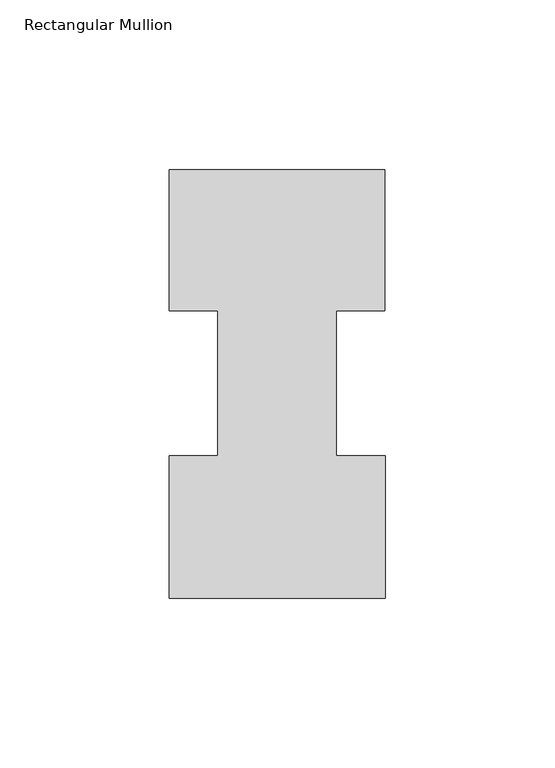
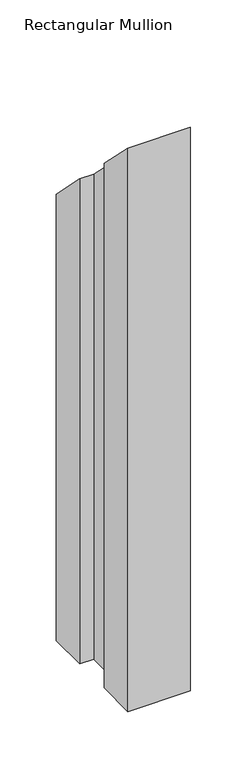
"""IFC4 building model written with IfcOpenShell, lengths in millimetres: member geometry, Rectangular Mullion."""

from ifc_helpers import new_model, si_unit, origin, place, context, project, spatial, faceted_brep, source, transform, mapped, element, save


def rectangular_mullion_a609641c(model_context):
    return source(origin(), model_context, "Body", "Brep", [
        faceted_brep([(-63.5, 0.2428875, -609.6), (-63.5, 42.2798875, -609.6), (-49.21504, 42.2798875, -609.6), (-49.21504, 85.1296875, -609.6), (-63.5, 85.1296875, -609.6), (-63.5, 126.7348875, -609.6), (0.0, 126.7348875, -609.6), (0.0, 85.1296875, -609.6), (-14.2748, 85.1296875, -609.6), (-14.2748, 42.2798875, -609.6), (0.2408142, 42.2798875, -609.6), (0.2408142, 0.2428875, -609.6), (0.2408142, 0.2428875, -0.2428875), (-63.5, 0.2428875, -0.2428875), (0.2408142, 42.2798875, -42.2798875), (-14.2748, 42.2798875, -42.2798875), (-14.2748, 85.1296875, -85.1296875), (0.0, 85.1296875, -85.1296875), (0.0, 126.7348875, -126.7348875), (-63.5, 126.7348875, -126.7348875), (-63.5, 85.1296875, -85.1296875), (-49.21504, 85.1296875, -85.1296875), (-49.21504, 42.2798875, -42.2798875), (-63.5, 42.2798875, -42.2798875)], [[[0, 1, 2, 3, 4, 5, 6, 7, 8, 9, 10, 11]], [[12, 13, 0, 11]], [[14, 12, 11, 10]], [[15, 14, 10, 9]], [[16, 15, 9, 8]], [[17, 16, 8, 7]], [[18, 17, 7, 6]], [[19, 18, 6, 5]], [[20, 19, 5, 4]], [[21, 20, 4, 3]], [[22, 21, 3, 2]], [[23, 22, 2, 1]], [[13, 23, 1, 0]], [[13, 12, 14, 15, 16, 17, 18, 19, 20, 21, 22, 23]]]),
    ])


if __name__ == "__main__":
    model = new_model("IFC4")
    model_context = context("Model", 3, world=origin())
    ifc_project = project(units=[si_unit("LENGTHUNIT", "METRE", prefix="MILLI")], contexts=[model_context])
    site = spatial("IfcSite", under=ifc_project)
    building = spatial("IfcBuilding", under=site)
    placement = place(None, origin())
    rectangular_mullion_shape = rectangular_mullion_a609641c(model_context)
    element("IfcMember", 1, ObjectType="Rectangular Mullion", at=placement, inside=building, context=model_context, shape_type="MappedRepresentation", body=[
        mapped(rectangular_mullion_shape, transform((0.0, 0.0, 0.0), x_axis=(1.0, 0.0, 0.0), y_axis=(0.0, 1.0, 0.0), z_axis=(0.0, 0.0, 1.0))),
    ])
    save(model, "model.ifc")
